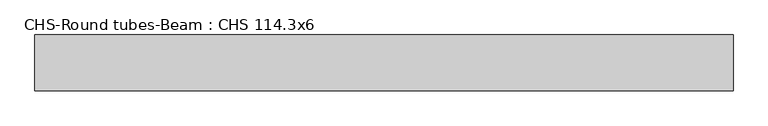
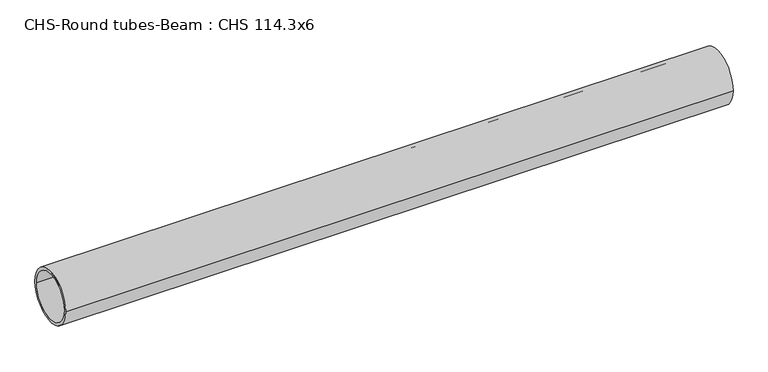
"""IFC4 building model written with IfcOpenShell, lengths in millimetres: beam geometry, CHS-Round tubes-Beam : CHS 114.3x6."""

from ifc_helpers import new_model, si_unit, point, frame, origin, origin_2d, place, context, project, spatial, circle_curve, trimmed, segment, composite_curve, outline, extrude, source, transform, mapped, element, save


def chs_round_tubes_beam_chs_114_3x6_f66c630a(model_context):
    return source(origin(), model_context, "Body", "SweptSolid", [
        extrude(outline(composite_curve([segment(trimmed(circle_curve(origin_2d(), 57.15), [point((57.15, 0.0))], [point((-57.15, 0.0))], False, "CARTESIAN"), True, "CONTINUOUS"), segment(trimmed(circle_curve(origin_2d(), 57.15), [point((-57.15, 0.0))], [point((57.15, 0.0))], False, "CARTESIAN"), True, "CONTINUOUS")], self_intersect=False), holes=[composite_curve([segment(trimmed(circle_curve(origin_2d(), 51.15), [point((51.15, 0.0))], [point((-51.15, 0.0))], True, "CARTESIAN"), True, "CONTINUOUS"), segment(trimmed(circle_curve(origin_2d(), 51.15), [point((-51.15, 0.0))], [point((51.15, 0.0))], True, "CARTESIAN"), True, "CONTINUOUS")], self_intersect=False)]), frame((-702.7335298, 0.0, 0.0), z_axis=(1.0, 0.0, 0.0), x_axis=(0.0, 1.0, 0.0)), (0.0, 0.0, 1.0), 1428.3836063),
    ])


if __name__ == "__main__":
    model = new_model("IFC4")
    model_context = context("Model", 3, world=origin())
    ifc_project = project(units=[si_unit("LENGTHUNIT", "METRE", prefix="MILLI")], contexts=[model_context])
    site = spatial("IfcSite", under=ifc_project)
    building = spatial("IfcBuilding", under=site)
    placement = place(None, origin())
    chs_round_tubes_beam_chs_114_3x6_shape = chs_round_tubes_beam_chs_114_3x6_f66c630a(model_context)
    element("IfcBeam", 1, ObjectType="CHS-Round tubes-Beam : CHS 114.3x6", at=placement, inside=building, context=model_context, shape_type="MappedRepresentation", body=[
        mapped(chs_round_tubes_beam_chs_114_3x6_shape, transform((0.0, 0.0, 0.0), x_axis=(1.0, 0.0, 0.0), y_axis=(0.0, 1.0, 0.0), z_axis=(0.0, 0.0, 1.0))),
    ])
    save(model, "model.ifc")
